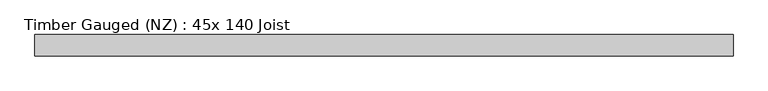
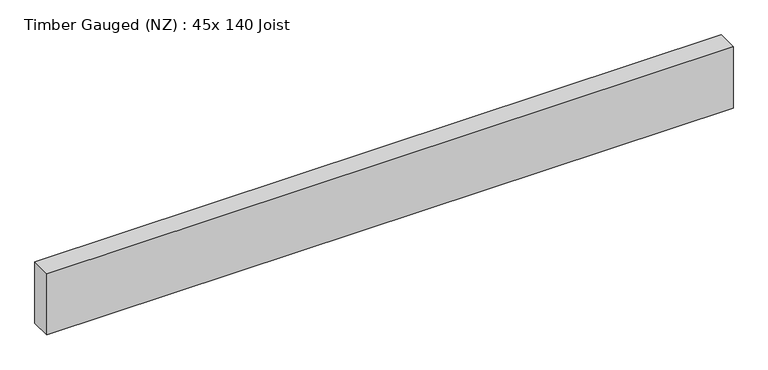
"""IFC4 building model written with IfcOpenShell, lengths in millimetres: beam geometry, Timber Gauged (NZ) : 45x 140 Joist."""

from ifc_helpers import new_model, si_unit, frame, origin, place, context, project, spatial, polyline, outline, extrude, source, transform, mapped, element, save


def timber_gauged_nz_45x_140_joist_30b2267f(model_context):
    return source(origin(), model_context, "Body", "SweptSolid", [
        extrude(outline(polyline([(828.8197308, -22.5), (-651.0246947, -22.5), (-651.0246947, 22.5), (828.8197308, 22.5), (828.8197308, -22.5)])), frame((0.0, 0.0, -70.0), z_axis=(0.0, 0.0, 1.0), x_axis=(1.0, 0.0, 0.0)), (0.0, 0.0, 1.0), 140.0),
    ])


if __name__ == "__main__":
    model = new_model("IFC4")
    model_context = context("Model", 3, world=origin())
    ifc_project = project(units=[si_unit("LENGTHUNIT", "METRE", prefix="MILLI")], contexts=[model_context])
    site = spatial("IfcSite", under=ifc_project)
    building = spatial("IfcBuilding", under=site)
    placement = place(None, origin())
    timber_gauged_nz_45x_140_joist_shape = timber_gauged_nz_45x_140_joist_30b2267f(model_context)
    element("IfcBeam", 1, ObjectType="Timber Gauged (NZ) : 45x 140 Joist", at=placement, inside=building, context=model_context, shape_type="MappedRepresentation", body=[
        mapped(timber_gauged_nz_45x_140_joist_shape, transform((0.0, 0.0, 0.0), x_axis=(1.0, 0.0, 0.0), y_axis=(0.0, 1.0, 0.0), z_axis=(0.0, 0.0, 1.0))),
    ])
    save(model, "model.ifc")
